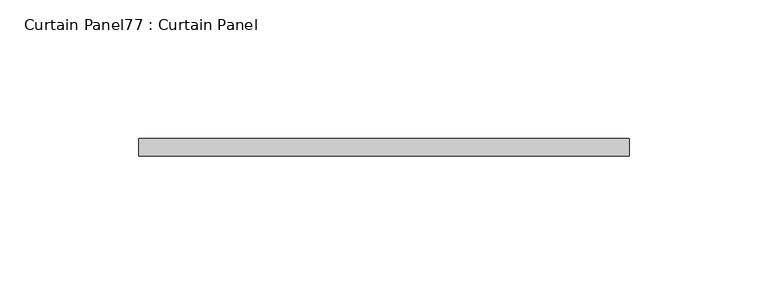
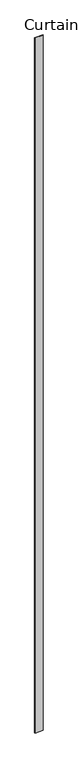
"""IFC4 building model written with IfcOpenShell, lengths in millimetres: plate geometry, Curtain Panel77 : Curtain Panel."""

from ifc_helpers import new_model, si_unit, frame, origin, place, context, project, spatial, polyline, outline, extrude, source, transform, mapped, element, save


def curtain_panel77_curtain_panel_2e63a41c(model_context):
    return source(origin(), model_context, "Body", "SweptSolid", [
        extrude(outline(polyline([(169875.9950674, 8038.1084949), (169698.898492, 8038.1084949), (169698.898492, 8044.4584949), (169875.9950674, 8044.4584949), (169875.9950674, 8038.1084949)])), frame((0.0, 0.0, 1433.7679301), z_axis=(0.0, 0.0, 1.0), x_axis=(1.0, 0.0, 0.0)), (0.0, 0.0, 1.0), 15837.0064664),
    ])


if __name__ == "__main__":
    model = new_model("IFC4")
    model_context = context("Model", 3, world=origin())
    ifc_project = project(units=[si_unit("LENGTHUNIT", "METRE", prefix="MILLI")], contexts=[model_context])
    site = spatial("IfcSite", under=ifc_project)
    building = spatial("IfcBuilding", under=site)
    placement = place(None, origin())
    curtain_panel77_curtain_panel_shape = curtain_panel77_curtain_panel_2e63a41c(model_context)
    element("IfcPlate", 1, ObjectType="Curtain Panel77 : Curtain Panel", at=placement, inside=building, context=model_context, shape_type="MappedRepresentation", body=[
        mapped(curtain_panel77_curtain_panel_shape, transform((0.0, 0.0, 0.0), x_axis=(1.0, 0.0, 0.0), y_axis=(0.0, 1.0, 0.0), z_axis=(0.0, 0.0, 1.0))),
    ])
    save(model, "model.ifc")
